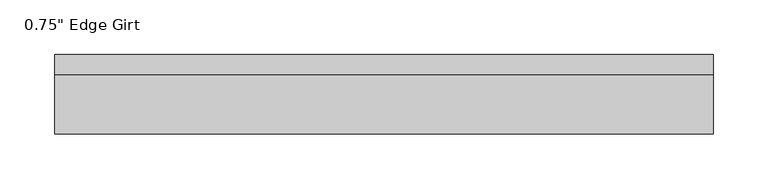
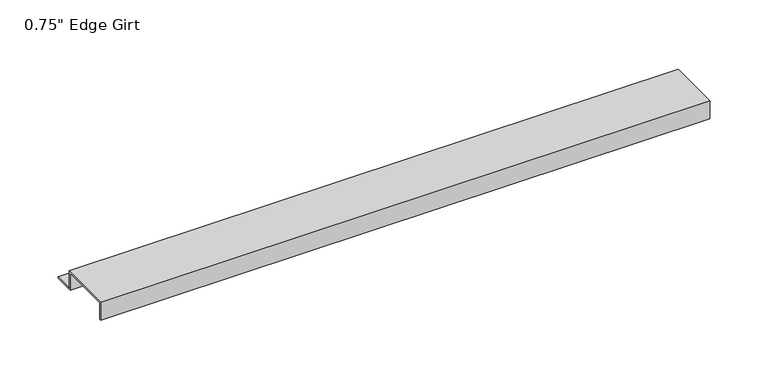
"""IFC4 building model written with IfcOpenShell, lengths in millimetres: proxy geometry."""

import ifcopenshell
import ifcopenshell.guid

model = None  # the IFC model being written
_history = None  # IfcOwnerHistory: only IFC2X3 demands one
_inside = {}  # id of a spatial element -> (the spatial element, [elements in it])
_under = {}  # id of a project, library or spatial element -> (it, [spatial elements below it])
_declared = {}  # id of a project -> (the project, [libraries it declares])
_typed = {}  # id of a type object -> (the type object, [elements of that type])
_made_of = {}  # id of a material, layer set ... -> (it, [elements and type objects made of it])


def new_model(schema):
    """Start an empty IFC model of exactly this schema.

    Asked for "IFC4X3", IfcOpenShell would pick the latest addendum, in which some entities
    have other attributes; the version numbers below select the first issue.
    IFC2X3 requires an IfcOwnerHistory on every rooted entity: one is made here for all.
    """
    global model, _history
    if schema == "IFC4X3":
        model = ifcopenshell.file(schema_version=(4, 3, 0, 0))
    else:
        model = ifcopenshell.file(schema=schema)
    _inside.clear()
    _under.clear()
    _declared.clear()
    _typed.clear()
    _made_of.clear()
    _history = None
    if model.schema == "IFC2X3":
        org = make("IfcOrganization", Name="unknown")
        user = make(
            "IfcPersonAndOrganization",
            ThePerson=make("IfcPerson", FamilyName="unknown"),
            TheOrganization=org,
        )
        app = make(
            "IfcApplication",
            ApplicationDeveloper=org,
            Version="unknown",
            ApplicationFullName="unknown",
            ApplicationIdentifier="unknown",
        )
        _history = make(
            "IfcOwnerHistory",
            OwningUser=user,
            OwningApplication=app,
            ChangeAction="ADDED",
            CreationDate=0,
        )
    return model


def make(cls, **values):
    """One entity of the class cls with the attributes given. An attribute that is None is left unset."""
    return model.create_entity(
        cls, **{name: value for name, value in values.items() if value is not None}
    )


def rooted(cls, **values):
    """An entity with a GlobalId (a new one), such as an element, a storey or a relation."""
    return make(cls, GlobalId=ifcopenshell.guid.new(), OwnerHistory=_history, **values)


def si_unit(unit_type, name, prefix=None):
    """IfcSIUnit, for example si_unit("LENGTHUNIT", "METRE", prefix="MILLI")."""
    return make("IfcSIUnit", UnitType=unit_type, Prefix=prefix, Name=name)


def assignment(units):
    """IfcUnitAssignment: the units of a project."""
    return None if units is None else make("IfcUnitAssignment", Units=units)


def point(xyz):
    """IfcCartesianPoint."""
    return None if xyz is None else make("IfcCartesianPoint", Coordinates=xyz)


def direction(xyz):
    """IfcDirection."""
    return None if xyz is None else make("IfcDirection", DirectionRatios=xyz)


def frame(location, z_axis=None, x_axis=None):
    """IfcAxis2Placement3D, a coordinate frame: its origin and axes. An axis left out is left unset."""
    return make(
        "IfcAxis2Placement3D",
        Location=point(location),
        Axis=direction(z_axis),
        RefDirection=direction(x_axis),
    )


def origin():
    """The frame at (0, 0, 0) with its axes left unset."""
    return frame((0.0, 0.0, 0.0))


def place(relative_to, where):
    """IfcLocalPlacement: puts the frame where relative to a parent placement (None: the world)."""
    return make(
        "IfcLocalPlacement", PlacementRelTo=relative_to, RelativePlacement=where
    )


def context(
    kind, dimensions, precision=None, world=None, true_north=None, identifier=None
):
    """IfcGeometricRepresentationContext, for example the 3D "Model" context."""
    return make(
        "IfcGeometricRepresentationContext",
        ContextIdentifier=identifier,
        ContextType=kind,
        CoordinateSpaceDimension=dimensions,
        Precision=precision,
        WorldCoordinateSystem=world,
        TrueNorth=true_north,
    )


def project(units=None, contexts=None):
    """IfcProject with its units and contexts."""
    return rooted(
        "IfcProject",
        Name="project",
        RepresentationContexts=contexts,
        UnitsInContext=assignment(units),
    )


def spatial(cls, under=None, at=None, **own):
    """A site, building, storey or space (cls), placed at a placement, below another one or the project."""
    s = rooted(cls, ObjectPlacement=at, **own)
    if under is not None:
        _under.setdefault(under.id(), (under, []))[1].append(s)
    return s


def polyline(points):
    """IfcPolyline through the points."""
    return make("IfcPolyline", Points=[point(p) for p in points])


def outline(outer, holes=None, kind="AREA"):
    """IfcArbitraryClosedProfileDef: a profile drawn as a closed curve; with holes, ...WithVoids."""
    if holes is None:
        return make("IfcArbitraryClosedProfileDef", ProfileType=kind, OuterCurve=outer)
    return make(
        "IfcArbitraryProfileDefWithVoids",
        ProfileType=kind,
        OuterCurve=outer,
        InnerCurves=holes,
    )


def extrude(swept, where, along, depth):
    """IfcExtrudedAreaSolid: the profile swept, set in the frame where, extruded along a direction by depth."""
    return make(
        "IfcExtrudedAreaSolid",
        SweptArea=swept,
        Position=where,
        ExtrudedDirection=direction(along),
        Depth=depth,
    )


def shape(context_of_items, identifier, shape_type, items):
    """IfcShapeRepresentation: the items that make up one representation, for example the "Body"."""
    return make(
        "IfcShapeRepresentation",
        ContextOfItems=context_of_items,
        RepresentationIdentifier=identifier,
        RepresentationType=shape_type,
        Items=items,
    )


def source(mapping_origin, context_of_items, identifier, shape_type, items):
    """IfcRepresentationMap: a shape defined once, which mapped items show again and again."""
    return make(
        "IfcRepresentationMap",
        MappingOrigin=mapping_origin,
        MappedRepresentation=shape(context_of_items, identifier, shape_type, items),
    )


def transform(
    local_origin,
    x_axis=None,
    y_axis=None,
    z_axis=None,
    scale=None,
    scale2=None,
    scale3=None,
    uniform=True,
):
    """IfcCartesianTransformationOperator3D, or its non-uniform kind. x_axis, y_axis, z_axis: its Axis1, 2, 3."""
    if uniform:
        return make(
            "IfcCartesianTransformationOperator3D",
            Axis1=direction(x_axis),
            Axis2=direction(y_axis),
            LocalOrigin=point(local_origin),
            Scale=scale,
            Axis3=direction(z_axis),
        )
    return make(
        "IfcCartesianTransformationOperator3DnonUniform",
        Axis1=direction(x_axis),
        Axis2=direction(y_axis),
        LocalOrigin=point(local_origin),
        Scale=scale,
        Axis3=direction(z_axis),
        Scale2=scale2,
        Scale3=scale3,
    )


def mapped(mapping_source, mapping_target):
    """IfcMappedItem: shows the shape of a source again, moved by a transform."""
    return make(
        "IfcMappedItem", MappingSource=mapping_source, MappingTarget=mapping_target
    )


def made_of(thing, what):
    """Note that an element or type object is made of a material, layer set ...; save() writes the relation."""
    if what is not None:
        _made_of.setdefault(what.id(), (what, []))[1].append(thing)
    return thing


def element(
    cls,
    number,
    at=None,
    inside=None,
    cuts=None,
    type_object=None,
    material=None,
    context=None,
    identifier="Body",
    shape_type=None,
    held_by="IfcProductDefinitionShape",
    body=None,
    shapes=None,
    **own,
):
    """One element of the class cls, such as IfcWall. Its Tag is "e" and its number.

    at: its placement. inside: the storey or other place that contains it. cuts: it is an
    opening in that element (IfcRelVoidsElement). A single representation is given by context,
    identifier, shape_type and body (its items); several are given by shapes. held_by: the class
    of the entity that holds the representations. save() writes the other relations.
    """
    e = rooted(cls, Tag="e%d" % number, ObjectPlacement=at, **own)
    if body is not None:
        shapes = [shape(context, identifier, shape_type, body)]
    if shapes is not None:
        e.Representation = make(held_by, Representations=shapes)
    if inside is not None:
        _inside.setdefault(inside.id(), (inside, []))[1].append(e)
    if cuts is not None:
        rooted(
            "IfcRelVoidsElement", RelatingBuildingElement=cuts, RelatedOpeningElement=e
        )
    if type_object is not None:
        _typed.setdefault(type_object.id(), (type_object, []))[1].append(e)
    return made_of(e, material)


def aggregate(whole, parts):
    """IfcRelAggregates: a whole, such as a stair, and the parts it consists of."""
    return rooted("IfcRelAggregates", RelatingObject=whole, RelatedObjects=parts)


def save(model, path):
    """Write the relations noted so far, then the file.

    IfcRelAggregates (storeys below a building ...), IfcRelContainedInSpatialStructure (elements
    in a storey), IfcRelDefinesByType, IfcRelAssociatesMaterial and IfcRelDeclares: one each for
    every whole, place, type object, material and project.
    """
    for whole, parts in _under.values():
        aggregate(whole, parts)
    for where, things in _inside.values():
        rooted(
            "IfcRelContainedInSpatialStructure",
            RelatedElements=things,
            RelatingStructure=where,
        )
    for kind, things in _typed.values():
        rooted("IfcRelDefinesByType", RelatedObjects=things, RelatingType=kind)
    for what, things in _made_of.values():
        rooted("IfcRelAssociatesMaterial", RelatedObjects=things, RelatingMaterial=what)
    for by, libraries in _declared.values():
        rooted("IfcRelDeclares", RelatingContext=by, RelatedDefinitions=libraries)
    model.write(path)


def proxy_7373731d(model_context):
    return source(origin(), model_context, "Body", "SweptSolid", [
        extrude(outline(polyline([(46.0559645, -17.4375), (25.4, -17.4375), (25.4, 0.0), (-25.4, 0.0), (-25.4, -17.4375), (-27.0129, -17.4375), (-27.0129, 1.6129), (27.0129, 1.6129), (27.0129, -15.8242), (46.0559645, -15.8242), (46.0559645, -17.4375)])), frame((0.0, 0.0, 0.0), z_axis=(1.0, 0.0, 0.0), x_axis=(0.0, 1.0, 0.0)), (0.0, 0.0, 1.0), 603.25),
    ])


if __name__ == "__main__":
    model = new_model("IFC4")
    model_context = context("Model", 3, world=origin())
    ifc_project = project(units=[si_unit("LENGTHUNIT", "METRE", prefix="MILLI")], contexts=[model_context])
    site = spatial("IfcSite", under=ifc_project)
    building = spatial("IfcBuilding", under=site)
    placement = place(None, origin())
    proxy_shape = proxy_7373731d(model_context)
    element("IfcBuildingElementProxy", 1, Name="0.75\" Edge Girt", ObjectType="0.75\" Edge Girt", at=placement, inside=building, context=model_context, shape_type="MappedRepresentation", body=[
        mapped(proxy_shape, transform((0.0, 0.0, 0.0), x_axis=(1.0, 0.0, 0.0), y_axis=(0.0, 1.0, 0.0), z_axis=(0.0, 0.0, 1.0))),
    ])
    save(model, "model.ifc")
